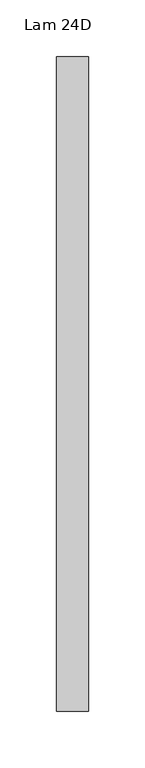
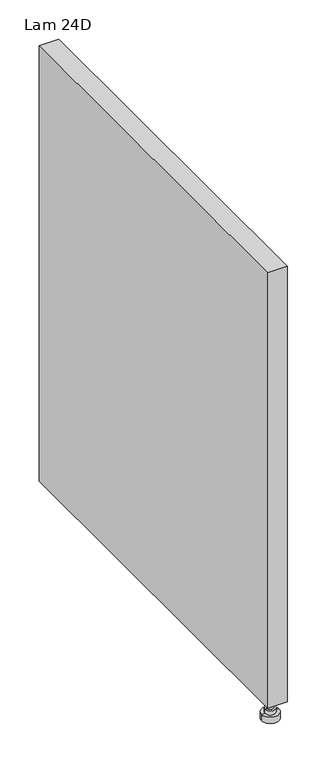
"""IFC4 building model written with IfcOpenShell, lengths in millimetres: furniture geometry, Lam 24D."""

from ifc_helpers import new_model, si_unit, frame, origin, place, context, project, spatial, polyline, circle_curve, outline, extrude, source, transform, mapped, element, save
from ifc_brep_helpers import plane_surface, cylinder_surface, advanced_brep


def lam_24d_da9cf267(model_context):
    return source(origin(), model_context, "Body", "SolidModel", [
        advanced_brep(
        [(-413.22752, 71.882, 15.875), (-397.98752, 71.882, 15.875), (-400.84502, 71.882, 15.875), (-410.37002, 71.882, 15.875), (-413.22752, 71.882, 9.525), (-397.98752, 71.882, 9.525), (-418.30752, 71.882, 0.0), (-392.90752, 71.882, 0.0), (-392.90752, 71.882, 9.525), (-418.30752, 71.882, 9.525), (-405.60752, 71.882, 0.0), (-410.37002, 71.882, 31.75), (-400.84502, 71.882, 31.75), (-405.60752, 71.882, 31.75)],
        [
            (0, 1, circle_curve(frame((-405.60752, 71.882, 15.875), z_axis=(0.0, 0.0, 1.0), x_axis=(1.0, 0.0, 0.0)), 7.62)),
            (1, 2),
            (2, 3, circle_curve(frame((-405.60752, 71.882, 15.875), z_axis=(0.0, 0.0, -1.0), x_axis=(1.0, 0.0, 0.0)), 4.7625)),
            (3, 0),
            (1, 0, circle_curve(frame((-405.60752, 71.882, 15.875), z_axis=(0.0, 0.0, 1.0), x_axis=(1.0, 0.0, 0.0)), 7.62)),
            (3, 2, circle_curve(frame((-405.60752, 71.882, 15.875), z_axis=(0.0, 0.0, -1.0), x_axis=(1.0, 0.0, 0.0)), 4.7625)),
            (4, 5, circle_curve(frame((-405.60752, 71.882, 9.525), z_axis=(0.0, 0.0, 1.0), x_axis=(1.0, 0.0, 0.0)), 7.62)),
            (5, 1),
            (0, 4),
            (5, 4, circle_curve(frame((-405.60752, 71.882, 9.525), z_axis=(0.0, 0.0, 1.0), x_axis=(1.0, 0.0, 0.0)), 7.62)),
            (6, 7, circle_curve(frame((-405.60752, 71.882, 0.0), z_axis=(0.0, 0.0, 1.0), x_axis=(1.0, 0.0, 0.0)), 12.7)),
            (7, 8),
            (8, 9, circle_curve(frame((-405.60752, 71.882, 9.525), z_axis=(0.0, 0.0, -1.0), x_axis=(1.0, 0.0, 0.0)), 12.7)),
            (9, 6),
            (7, 6, circle_curve(frame((-405.60752, 71.882, 0.0), z_axis=(0.0, 0.0, 1.0), x_axis=(1.0, 0.0, 0.0)), 12.7)),
            (9, 8, circle_curve(frame((-405.60752, 71.882, 9.525), z_axis=(0.0, 0.0, -1.0), x_axis=(1.0, 0.0, 0.0)), 12.7)),
            (10, 7),
            (6, 10),
            (8, 5),
            (4, 9),
            (11, 12, circle_curve(frame((-405.60752, 71.882, 31.75), z_axis=(0.0, 0.0, 1.0), x_axis=(1.0, 0.0, 0.0)), 4.7625)),
            (12, 13),
            (13, 11),
            (12, 11, circle_curve(frame((-405.60752, 71.882, 31.75), z_axis=(0.0, 0.0, 1.0), x_axis=(1.0, 0.0, 0.0)), 4.7625)),
            (2, 12),
            (11, 3),
        ],
        [
            plane_surface(frame((-405.60752, 71.882, 15.875), z_axis=(0.0, 0.0, 1.0), x_axis=(1.0, 0.0, 0.0))),
            cylinder_surface(frame((-405.60752, 71.882, 35.439326), z_axis=(0.0, 0.0, -1.0), x_axis=(1.0, 0.0, 0.0)), 7.62),
            cylinder_surface(frame((-405.60752, 71.882, 35.439326), z_axis=(0.0, 0.0, -1.0), x_axis=(1.0, 0.0, 0.0)), 12.7),
            plane_surface(frame((-405.60752, 71.882, 0.0), z_axis=(0.0, 0.0, -1.0), x_axis=(1.0, 0.0, 0.0))),
            plane_surface(frame((-405.60752, 71.882, 9.525), z_axis=(0.0, 0.0, 1.0), x_axis=(1.0, 0.0, 0.0))),
            plane_surface(frame((-405.60752, 71.882, 31.75), z_axis=(0.0, 0.0, 1.0), x_axis=(1.0, 0.0, 0.0))),
            cylinder_surface(frame((-405.60752, 71.882, 35.439326), z_axis=(0.0, 0.0, -1.0), x_axis=(1.0, 0.0, 0.0)), 4.7625),
        ],
        [
            (0, [[1, 2, 3, 4]]),
            (0, [[5, -4, 6, -2]]),
            (1, [[7, 8, -1, 9]]),
            (1, [[10, -9, -5, -8]]),
            (2, [[11, 12, 13, 14]]),
            (2, [[15, -14, 16, -12]]),
            (3, [[17, -11, 18]]),
            (3, [[-18, -15, -17]]),
            (4, [[-13, 19, -7, 20]]),
            (4, [[-16, -20, -10, -19]]),
            (5, [[21, 22, 23]]),
            (5, [[24, -23, -22]]),
            (6, [[-3, 25, -21, 26]]),
            (6, [[-6, -26, -24, -25]]),
        ],
    ),
        extrude(outline(polyline([(-419.89502, 631.952), (-391.32002, 631.952), (-391.32002, 52.832), (-419.89502, 52.832), (-419.89502, 631.952)])), frame((0.0, 0.0, 31.75), z_axis=(0.0, 0.0, 1.0), x_axis=(1.0, 0.0, 0.0)), (0.0, 0.0, 1.0), 673.1),
    ])


if __name__ == "__main__":
    model = new_model("IFC4")
    model_context = context("Model", 3, world=origin())
    ifc_project = project(units=[si_unit("LENGTHUNIT", "METRE", prefix="MILLI")], contexts=[model_context])
    site = spatial("IfcSite", under=ifc_project)
    building = spatial("IfcBuilding", under=site)
    placement = place(None, origin())
    lam_24d_shape = lam_24d_da9cf267(model_context)
    element("IfcFurniture", 1, ObjectType="Lam 24D", at=placement, inside=building, context=model_context, shape_type="MappedRepresentation", body=[
        mapped(lam_24d_shape, transform((0.0, 0.0, 0.0), x_axis=(1.0, 0.0, 0.0), y_axis=(0.0, 1.0, 0.0), z_axis=(0.0, 0.0, 1.0))),
    ])
    save(model, "model.ifc")
